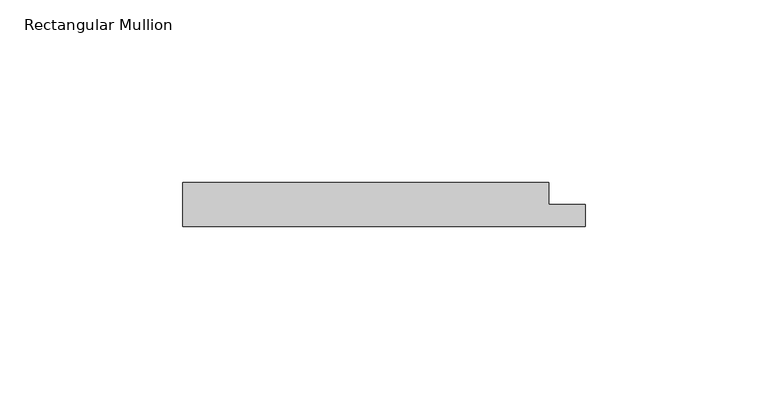
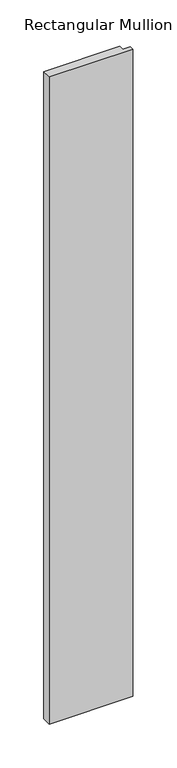
"""IFC4 building model written with IfcOpenShell, lengths in millimetres: member geometry, Rectangular Mullion."""

from ifc_helpers import new_model, si_unit, frame, origin, place, context, project, spatial, polyline, outline, extrude, source, transform, mapped, element, save


def rectangular_mullion_203bcb5a(model_context):
    return source(origin(), model_context, "Body", "SweptSolid", [
        extrude(outline(polyline([(55.0, 0.0), (-55.0, 0.0), (-55.0, 12.0), (45.0, 12.0), (45.0, 6.0), (55.0, 6.0), (55.0, 0.0)])), frame((0.0, 0.0, -900.0), z_axis=(0.0, 0.0, 1.0), x_axis=(1.0, 0.0, 0.0)), (0.0, 0.0, 1.0), 900.0),
    ])


if __name__ == "__main__":
    model = new_model("IFC4")
    model_context = context("Model", 3, world=origin())
    ifc_project = project(units=[si_unit("LENGTHUNIT", "METRE", prefix="MILLI")], contexts=[model_context])
    site = spatial("IfcSite", under=ifc_project)
    building = spatial("IfcBuilding", under=site)
    placement = place(None, origin())
    rectangular_mullion_shape = rectangular_mullion_203bcb5a(model_context)
    element("IfcMember", 1, ObjectType="Rectangular Mullion", at=placement, inside=building, context=model_context, shape_type="MappedRepresentation", body=[
        mapped(rectangular_mullion_shape, transform((0.0, 0.0, 0.0), x_axis=(1.0, 0.0, 0.0), y_axis=(0.0, 1.0, 0.0), z_axis=(0.0, 0.0, 1.0))),
    ])
    save(model, "model.ifc")
